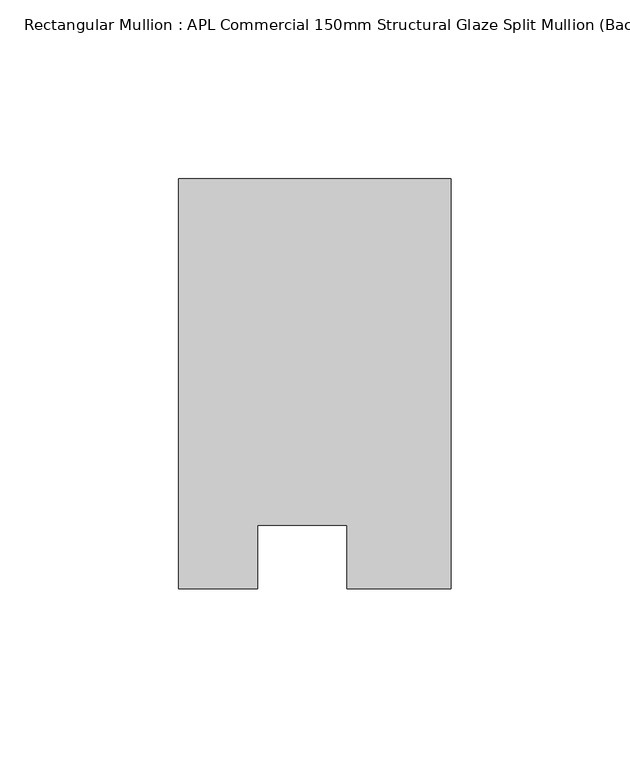
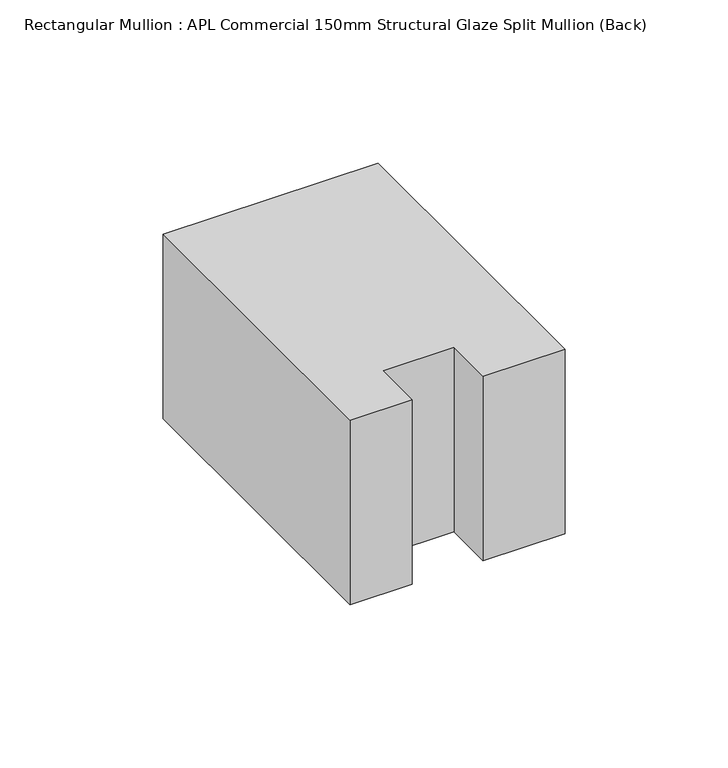
"""IFC4 building model written with IfcOpenShell, lengths in millimetres: member geometry, Rectangular Mullion : APL Commercial 150mm Structural Glaze Split Mullion (Back)."""

from ifc_helpers import new_model, si_unit, frame, origin, place, context, project, spatial, polyline, outline, extrude, source, transform, mapped, element, save


def rectangular_mullion_apl_commercial_150mm_structural_glaze_aac7934f(model_context):
    return source(origin(), model_context, "Body", "SweptSolid", [
        extrude(outline(polyline([(37.9999914, 129.5195626), (37.9999914, 14.9960123), (9.0, 14.9960123), (9.0, 32.7960123), (-16.0, 32.7960123), (-16.0, 14.9960123), (-37.9999896, 14.9960123), (-37.9999896, 129.5195626), (37.9999914, 129.5195626)])), frame((0.0, 0.0, -68.9740333), z_axis=(0.0, 0.0, 1.0), x_axis=(1.0, 0.0, 0.0)), (0.0, 0.0, 1.0), 68.9740333),
    ])


if __name__ == "__main__":
    model = new_model("IFC4")
    model_context = context("Model", 3, world=origin())
    ifc_project = project(units=[si_unit("LENGTHUNIT", "METRE", prefix="MILLI")], contexts=[model_context])
    site = spatial("IfcSite", under=ifc_project)
    building = spatial("IfcBuilding", under=site)
    placement = place(None, origin())
    rectangular_mullion_apl_commercial_150mm_structural_glaze_shape = rectangular_mullion_apl_commercial_150mm_structural_glaze_aac7934f(model_context)
    element("IfcMember", 1, ObjectType="Rectangular Mullion : APL Commercial 150mm Structural Glaze Split Mullion (Back)", at=placement, inside=building, context=model_context, shape_type="MappedRepresentation", body=[
        mapped(rectangular_mullion_apl_commercial_150mm_structural_glaze_shape, transform((0.0, 0.0, 0.0), x_axis=(1.0, 0.0, 0.0), y_axis=(0.0, 1.0, 0.0), z_axis=(0.0, 0.0, 1.0))),
    ])
    save(model, "model.ifc")
